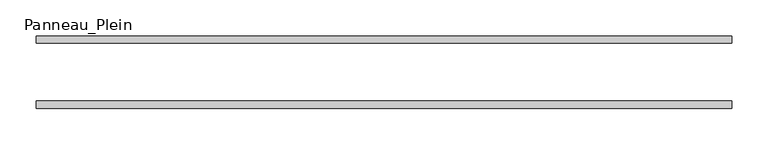
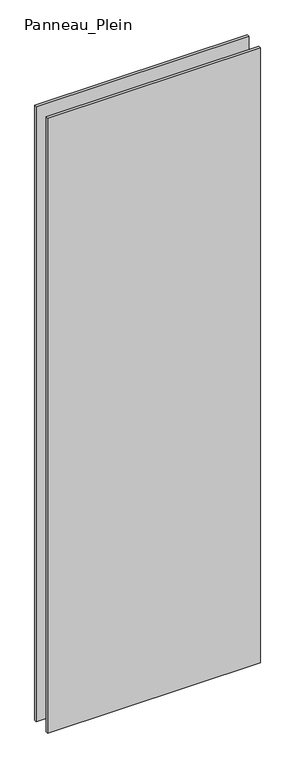
"""IFC4 building model written with IfcOpenShell, lengths in millimetres: plate geometry, Panneau_Plein."""

from ifc_helpers import new_model, si_unit, origin, origin_with_axes, place, context, project, spatial, polyline, outline, extrude, source, transform, mapped, element, save


def panneau_plein_a85c482f(model_context):
    return source(origin(), model_context, "Body", "SweptSolid", [
        extrude(outline(polyline([(479.6769805, 50.0), (479.6769805, 40.0), (-479.6769805, 40.0), (-479.6769805, 50.0), (479.6769805, 50.0)])), origin_with_axes(), (0.0, 0.0, 1.0), 2930.3804804),
        extrude(outline(polyline([(479.6769805, -40.0), (479.6769805, -50.0), (-479.6769805, -50.0), (-479.6769805, -40.0), (479.6769805, -40.0)])), origin_with_axes(), (0.0, 0.0, 1.0), 2930.3804804),
    ])


if __name__ == "__main__":
    model = new_model("IFC4")
    model_context = context("Model", 3, world=origin())
    ifc_project = project(units=[si_unit("LENGTHUNIT", "METRE", prefix="MILLI")], contexts=[model_context])
    site = spatial("IfcSite", under=ifc_project)
    building = spatial("IfcBuilding", under=site)
    placement = place(None, origin())
    panneau_plein_shape = panneau_plein_a85c482f(model_context)
    element("IfcPlate", 1, ObjectType="Panneau_Plein", at=placement, inside=building, context=model_context, shape_type="MappedRepresentation", body=[
        mapped(panneau_plein_shape, transform((0.0, 0.0, 0.0), x_axis=(1.0, 0.0, 0.0), y_axis=(0.0, 1.0, 0.0), z_axis=(0.0, 0.0, 1.0))),
    ])
    save(model, "model.ifc")
